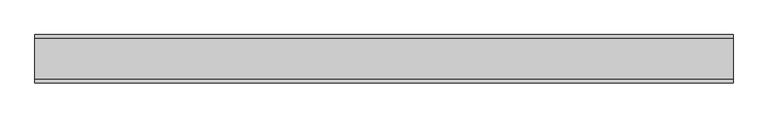
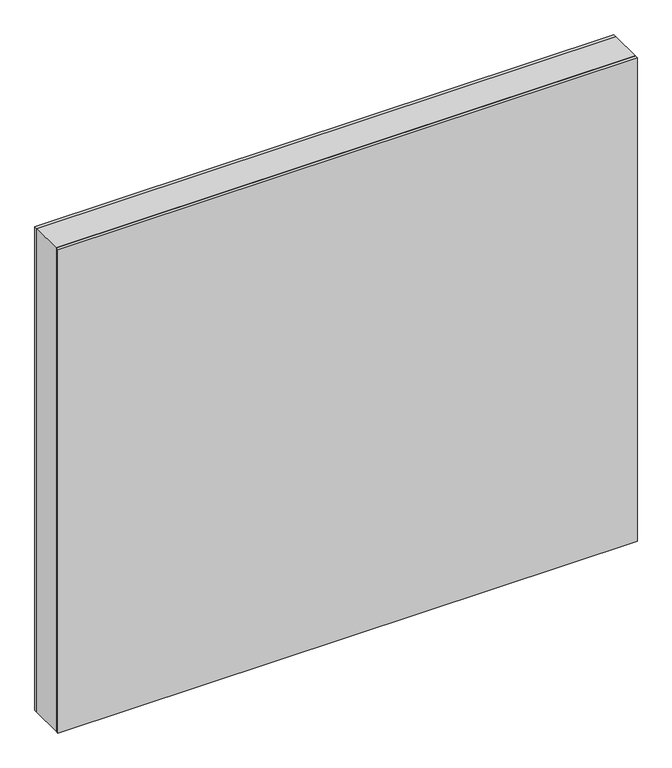
"""IFC4 building model written with IfcOpenShell, lengths in millimetres: plate geometry."""

from ifc_helpers import new_model, si_unit, frame, origin, origin_with_axes, place, context, project, spatial, polyline, outline, extrude, source, transform, mapped, element, save


def plate_82be439d(model_context):
    return source(origin(), model_context, "Body", "SweptSolid", [
        extrude(outline(polyline([(951.75, -539.6875001), (0.0, -539.6875001), (0.0, 539.6875001), (951.75, 539.6875001), (951.75, -539.6875001)]), holes=[polyline([(950.75, -538.6875001), (950.75, 538.6875001), (1.0, 538.6875001), (1.0, -538.6875001), (950.75, -538.6875001)])]), frame((0.0, -31.2, 0.0), z_axis=(0.0, 1.0, 0.0), x_axis=(0.0, 0.0, 1.0)), (0.0, 0.0, 1.0), 62.4),
        extrude(outline(polyline([(539.6875001, 31.2), (-539.6875001, 31.2), (-539.6875001, 37.2), (539.6875001, 37.2), (539.6875001, 31.2)])), origin_with_axes(), (0.0, 0.0, 1.0), 951.75),
        extrude(outline(polyline([(-539.6875001, -37.2), (-539.6875001, -31.2), (539.6875001, -31.2), (539.6875001, -37.2), (-539.6875001, -37.2)])), origin_with_axes(), (0.0, 0.0, 1.0), 951.75),
    ])


if __name__ == "__main__":
    model = new_model("IFC4")
    model_context = context("Model", 3, world=origin())
    ifc_project = project(units=[si_unit("LENGTHUNIT", "METRE", prefix="MILLI")], contexts=[model_context])
    site = spatial("IfcSite", under=ifc_project)
    building = spatial("IfcBuilding", under=site)
    placement = place(None, origin())
    plate_shape = plate_82be439d(model_context)
    element("IfcPlate", 1, at=placement, inside=building, context=model_context, shape_type="MappedRepresentation", body=[
        mapped(plate_shape, transform((0.0, 0.0, 0.0), x_axis=(1.0, 0.0, 0.0), y_axis=(0.0, 1.0, 0.0), z_axis=(0.0, 0.0, 1.0))),
    ])
    save(model, "model.ifc")
